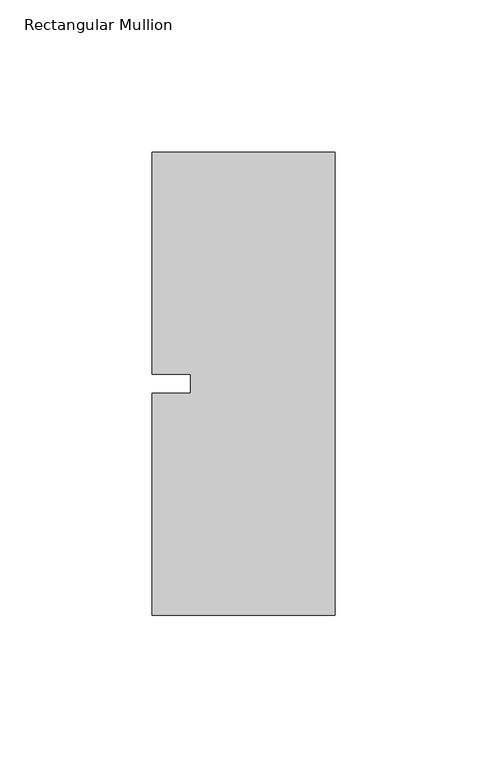
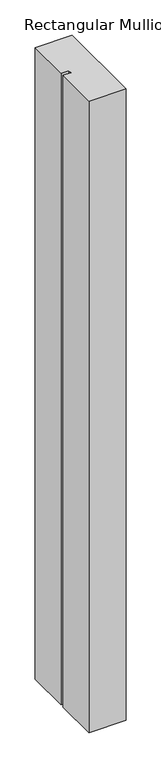
"""IFC4 building model written with IfcOpenShell, lengths in millimetres: member geometry, Rectangular Mullion."""

from ifc_helpers import new_model, si_unit, frame, origin, place, context, project, spatial, polyline, outline, extrude, source, transform, mapped, element, save


def rectangular_mullion_01a20615(model_context):
    return source(origin(), model_context, "Body", "SweptSolid", [
        extrude(outline(polyline([(-60.325, 76.2), (0.0, 76.2), (0.0, -76.2), (-60.325, -76.2), (-60.325, -3.175), (-47.6232296, -3.175), (-47.6232296, 3.175), (-60.325, 3.175), (-60.325, 76.2)])), frame((0.0, 0.0, -1091.0405973), z_axis=(0.0, 0.0, 1.0), x_axis=(1.0, 0.0, 0.0)), (0.0, 0.0, 1.0), 1091.0405973),
    ])


if __name__ == "__main__":
    model = new_model("IFC4")
    model_context = context("Model", 3, world=origin())
    ifc_project = project(units=[si_unit("LENGTHUNIT", "METRE", prefix="MILLI")], contexts=[model_context])
    site = spatial("IfcSite", under=ifc_project)
    building = spatial("IfcBuilding", under=site)
    placement = place(None, origin())
    rectangular_mullion_shape = rectangular_mullion_01a20615(model_context)
    element("IfcMember", 1, ObjectType="Rectangular Mullion", at=placement, inside=building, context=model_context, shape_type="MappedRepresentation", body=[
        mapped(rectangular_mullion_shape, transform((0.0, 0.0, 0.0), x_axis=(1.0, 0.0, 0.0), y_axis=(0.0, 1.0, 0.0), z_axis=(0.0, 0.0, 1.0))),
    ])
    save(model, "model.ifc")
